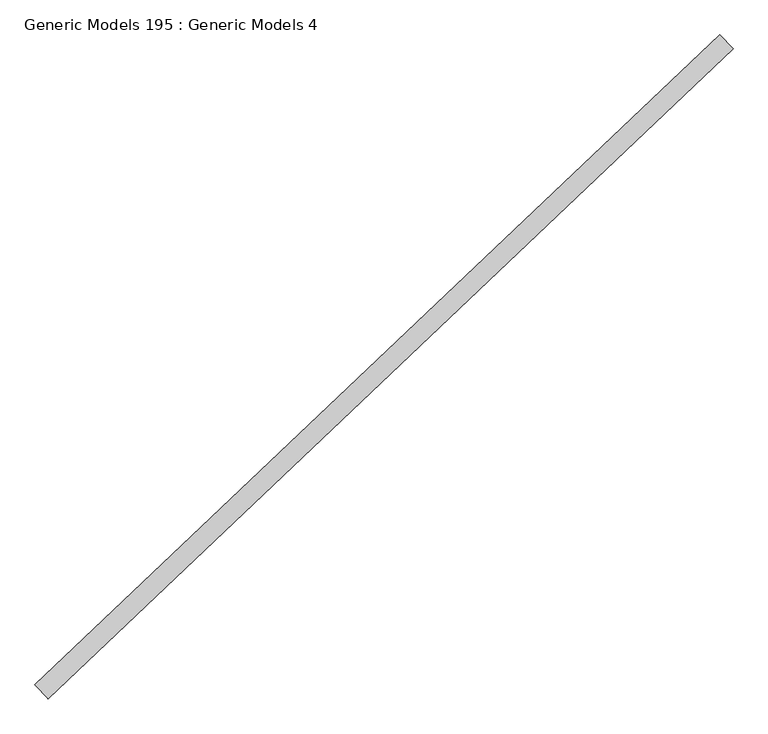
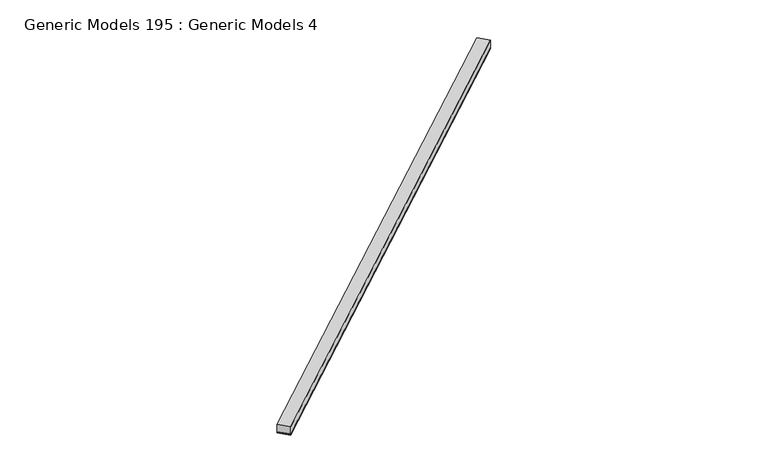
"""IFC4 building model written with IfcOpenShell, lengths in millimetres: proxy geometry, Generic Models 195 : Generic Models 4."""

import ifcopenshell
import ifcopenshell.guid

model = None  # the IFC model being written
_history = None  # IfcOwnerHistory: only IFC2X3 demands one
_inside = {}  # id of a spatial element -> (the spatial element, [elements in it])
_under = {}  # id of a project, library or spatial element -> (it, [spatial elements below it])
_declared = {}  # id of a project -> (the project, [libraries it declares])
_typed = {}  # id of a type object -> (the type object, [elements of that type])
_made_of = {}  # id of a material, layer set ... -> (it, [elements and type objects made of it])


def new_model(schema):
    """Start an empty IFC model of exactly this schema.

    Asked for "IFC4X3", IfcOpenShell would pick the latest addendum, in which some entities
    have other attributes; the version numbers below select the first issue.
    IFC2X3 requires an IfcOwnerHistory on every rooted entity: one is made here for all.
    """
    global model, _history
    if schema == "IFC4X3":
        model = ifcopenshell.file(schema_version=(4, 3, 0, 0))
    else:
        model = ifcopenshell.file(schema=schema)
    _inside.clear()
    _under.clear()
    _declared.clear()
    _typed.clear()
    _made_of.clear()
    _history = None
    if model.schema == "IFC2X3":
        org = make("IfcOrganization", Name="unknown")
        user = make(
            "IfcPersonAndOrganization",
            ThePerson=make("IfcPerson", FamilyName="unknown"),
            TheOrganization=org,
        )
        app = make(
            "IfcApplication",
            ApplicationDeveloper=org,
            Version="unknown",
            ApplicationFullName="unknown",
            ApplicationIdentifier="unknown",
        )
        _history = make(
            "IfcOwnerHistory",
            OwningUser=user,
            OwningApplication=app,
            ChangeAction="ADDED",
            CreationDate=0,
        )
    return model


def make(cls, **values):
    """One entity of the class cls with the attributes given. An attribute that is None is left unset."""
    return model.create_entity(
        cls, **{name: value for name, value in values.items() if value is not None}
    )


def rooted(cls, **values):
    """An entity with a GlobalId (a new one), such as an element, a storey or a relation."""
    return make(cls, GlobalId=ifcopenshell.guid.new(), OwnerHistory=_history, **values)


def si_unit(unit_type, name, prefix=None):
    """IfcSIUnit, for example si_unit("LENGTHUNIT", "METRE", prefix="MILLI")."""
    return make("IfcSIUnit", UnitType=unit_type, Prefix=prefix, Name=name)


def assignment(units):
    """IfcUnitAssignment: the units of a project."""
    return None if units is None else make("IfcUnitAssignment", Units=units)


def point(xyz):
    """IfcCartesianPoint."""
    return None if xyz is None else make("IfcCartesianPoint", Coordinates=xyz)


def direction(xyz):
    """IfcDirection."""
    return None if xyz is None else make("IfcDirection", DirectionRatios=xyz)


def frame(location, z_axis=None, x_axis=None):
    """IfcAxis2Placement3D, a coordinate frame: its origin and axes. An axis left out is left unset."""
    return make(
        "IfcAxis2Placement3D",
        Location=point(location),
        Axis=direction(z_axis),
        RefDirection=direction(x_axis),
    )


def frame_2d(location, x_axis=None):
    """IfcAxis2Placement2D, a coordinate frame in the plane: its origin and x axis."""
    return make(
        "IfcAxis2Placement2D", Location=point(location), RefDirection=direction(x_axis)
    )


def origin():
    """The frame at (0, 0, 0) with its axes left unset."""
    return frame((0.0, 0.0, 0.0))


def place(relative_to, where):
    """IfcLocalPlacement: puts the frame where relative to a parent placement (None: the world)."""
    return make(
        "IfcLocalPlacement", PlacementRelTo=relative_to, RelativePlacement=where
    )


def context(
    kind, dimensions, precision=None, world=None, true_north=None, identifier=None
):
    """IfcGeometricRepresentationContext, for example the 3D "Model" context."""
    return make(
        "IfcGeometricRepresentationContext",
        ContextIdentifier=identifier,
        ContextType=kind,
        CoordinateSpaceDimension=dimensions,
        Precision=precision,
        WorldCoordinateSystem=world,
        TrueNorth=true_north,
    )


def project(units=None, contexts=None):
    """IfcProject with its units and contexts."""
    return rooted(
        "IfcProject",
        Name="project",
        RepresentationContexts=contexts,
        UnitsInContext=assignment(units),
    )


def spatial(cls, under=None, at=None, **own):
    """A site, building, storey or space (cls), placed at a placement, below another one or the project."""
    s = rooted(cls, ObjectPlacement=at, **own)
    if under is not None:
        _under.setdefault(under.id(), (under, []))[1].append(s)
    return s


def polyline(points):
    """IfcPolyline through the points."""
    return make("IfcPolyline", Points=[point(p) for p in points])


def circle_curve(where, radius):
    """IfcCircle in the frame where."""
    return make("IfcCircle", Position=where, Radius=radius)


def trimmed(basis, trim1, trim2, sense, master):
    """IfcTrimmedCurve: the piece of a basis curve between two trims."""
    return make(
        "IfcTrimmedCurve",
        BasisCurve=basis,
        Trim1=trim1,
        Trim2=trim2,
        SenseAgreement=sense,
        MasterRepresentation=master,
    )


def segment(curve, same_sense, transition):
    """IfcCompositeCurveSegment."""
    return make(
        "IfcCompositeCurveSegment",
        Transition=transition,
        SameSense=same_sense,
        ParentCurve=curve,
    )


def composite_curve(segments, self_intersect=None):
    """IfcCompositeCurve: segments joined end to end."""
    return make("IfcCompositeCurve", Segments=segments, SelfIntersect=self_intersect)


def outline(outer, holes=None, kind="AREA"):
    """IfcArbitraryClosedProfileDef: a profile drawn as a closed curve; with holes, ...WithVoids."""
    if holes is None:
        return make("IfcArbitraryClosedProfileDef", ProfileType=kind, OuterCurve=outer)
    return make(
        "IfcArbitraryProfileDefWithVoids",
        ProfileType=kind,
        OuterCurve=outer,
        InnerCurves=holes,
    )


def extrude(swept, where, along, depth):
    """IfcExtrudedAreaSolid: the profile swept, set in the frame where, extruded along a direction by depth."""
    return make(
        "IfcExtrudedAreaSolid",
        SweptArea=swept,
        Position=where,
        ExtrudedDirection=direction(along),
        Depth=depth,
    )


def shape(context_of_items, identifier, shape_type, items):
    """IfcShapeRepresentation: the items that make up one representation, for example the "Body"."""
    return make(
        "IfcShapeRepresentation",
        ContextOfItems=context_of_items,
        RepresentationIdentifier=identifier,
        RepresentationType=shape_type,
        Items=items,
    )


def source(mapping_origin, context_of_items, identifier, shape_type, items):
    """IfcRepresentationMap: a shape defined once, which mapped items show again and again."""
    return make(
        "IfcRepresentationMap",
        MappingOrigin=mapping_origin,
        MappedRepresentation=shape(context_of_items, identifier, shape_type, items),
    )


def transform(
    local_origin,
    x_axis=None,
    y_axis=None,
    z_axis=None,
    scale=None,
    scale2=None,
    scale3=None,
    uniform=True,
):
    """IfcCartesianTransformationOperator3D, or its non-uniform kind. x_axis, y_axis, z_axis: its Axis1, 2, 3."""
    if uniform:
        return make(
            "IfcCartesianTransformationOperator3D",
            Axis1=direction(x_axis),
            Axis2=direction(y_axis),
            LocalOrigin=point(local_origin),
            Scale=scale,
            Axis3=direction(z_axis),
        )
    return make(
        "IfcCartesianTransformationOperator3DnonUniform",
        Axis1=direction(x_axis),
        Axis2=direction(y_axis),
        LocalOrigin=point(local_origin),
        Scale=scale,
        Axis3=direction(z_axis),
        Scale2=scale2,
        Scale3=scale3,
    )


def mapped(mapping_source, mapping_target):
    """IfcMappedItem: shows the shape of a source again, moved by a transform."""
    return make(
        "IfcMappedItem", MappingSource=mapping_source, MappingTarget=mapping_target
    )


def made_of(thing, what):
    """Note that an element or type object is made of a material, layer set ...; save() writes the relation."""
    if what is not None:
        _made_of.setdefault(what.id(), (what, []))[1].append(thing)
    return thing


def element(
    cls,
    number,
    at=None,
    inside=None,
    cuts=None,
    type_object=None,
    material=None,
    context=None,
    identifier="Body",
    shape_type=None,
    held_by="IfcProductDefinitionShape",
    body=None,
    shapes=None,
    **own,
):
    """One element of the class cls, such as IfcWall. Its Tag is "e" and its number.

    at: its placement. inside: the storey or other place that contains it. cuts: it is an
    opening in that element (IfcRelVoidsElement). A single representation is given by context,
    identifier, shape_type and body (its items); several are given by shapes. held_by: the class
    of the entity that holds the representations. save() writes the other relations.
    """
    e = rooted(cls, Tag="e%d" % number, ObjectPlacement=at, **own)
    if body is not None:
        shapes = [shape(context, identifier, shape_type, body)]
    if shapes is not None:
        e.Representation = make(held_by, Representations=shapes)
    if inside is not None:
        _inside.setdefault(inside.id(), (inside, []))[1].append(e)
    if cuts is not None:
        rooted(
            "IfcRelVoidsElement", RelatingBuildingElement=cuts, RelatedOpeningElement=e
        )
    if type_object is not None:
        _typed.setdefault(type_object.id(), (type_object, []))[1].append(e)
    return made_of(e, material)


def aggregate(whole, parts):
    """IfcRelAggregates: a whole, such as a stair, and the parts it consists of."""
    return rooted("IfcRelAggregates", RelatingObject=whole, RelatedObjects=parts)


def save(model, path):
    """Write the relations noted so far, then the file.

    IfcRelAggregates (storeys below a building ...), IfcRelContainedInSpatialStructure (elements
    in a storey), IfcRelDefinesByType, IfcRelAssociatesMaterial and IfcRelDeclares: one each for
    every whole, place, type object, material and project.
    """
    for whole, parts in _under.values():
        aggregate(whole, parts)
    for where, things in _inside.values():
        rooted(
            "IfcRelContainedInSpatialStructure",
            RelatedElements=things,
            RelatingStructure=where,
        )
    for kind, things in _typed.values():
        rooted("IfcRelDefinesByType", RelatedObjects=things, RelatingType=kind)
    for what, things in _made_of.values():
        rooted("IfcRelAssociatesMaterial", RelatedObjects=things, RelatingMaterial=what)
    for by, libraries in _declared.values():
        rooted("IfcRelDeclares", RelatingContext=by, RelatedDefinitions=libraries)
    model.write(path)


def generic_models_195_generic_models_4_f029d16b(model_context):
    return source(origin(), model_context, "Body", "SweptSolid", [
        extrude(outline(composite_curve([segment(polyline([(92.075, -9.128125), (0.0, -9.128125)]), True, "CONTINUOUS"), segment(trimmed(circle_curve(frame_2d((-4.4149557, -4.5640625)), 6.35), [point((0.0, -9.128125))], [point((0.0, 0.0))], True, "CARTESIAN"), True, "CONTINUOUS"), segment(polyline([(0.0, 0.0), (92.075, 0.0)]), True, "CONTINUOUS"), segment(trimmed(circle_curve(frame_2d((96.4899556, -4.5640625)), 6.35), [point((92.075, 0.0))], [point((92.075, -9.128125))], True, "CARTESIAN"), True, "CONTINUOUS")], self_intersect=False)), frame((99763.4645275, 57298.7606646, 17167.8128084), z_axis=(0.7253743710123147, 0.6883545756937256, 0.0), x_axis=(0.6883545756937256, -0.7253743710123147, 0.0)), (0.0, 0.0, 1.0), 4530.725),
        extrude(outline(polyline([(99826.844775, 57231.9718194), (99763.4645275, 57298.7606646), (103049.9363246, 60417.5059496), (103113.3165721, 60350.7171044), (99826.844775, 57231.9718194)])), frame((0.0, 0.0, 17177.3378084), z_axis=(0.0, 0.0, 1.0), x_axis=(1.0, 0.0, 0.0)), (0.0, 0.0, 1.0), 57.15),
    ])


if __name__ == "__main__":
    model = new_model("IFC4")
    model_context = context("Model", 3, world=origin())
    ifc_project = project(units=[si_unit("LENGTHUNIT", "METRE", prefix="MILLI")], contexts=[model_context])
    site = spatial("IfcSite", under=ifc_project)
    building = spatial("IfcBuilding", under=site)
    placement = place(None, origin())
    generic_models_195_generic_models_4_shape = generic_models_195_generic_models_4_f029d16b(model_context)
    element("IfcBuildingElementProxy", 1, Name="Generic Models 195 : Generic Models 4", ObjectType="Generic Models 195 : Generic Models 4", at=placement, inside=building, context=model_context, shape_type="MappedRepresentation", body=[
        mapped(generic_models_195_generic_models_4_shape, transform((0.0, 0.0, 0.0), x_axis=(1.0, 0.0, 0.0), y_axis=(0.0, 1.0, 0.0), z_axis=(0.0, 0.0, 1.0))),
    ])
    save(model, "model.ifc")
